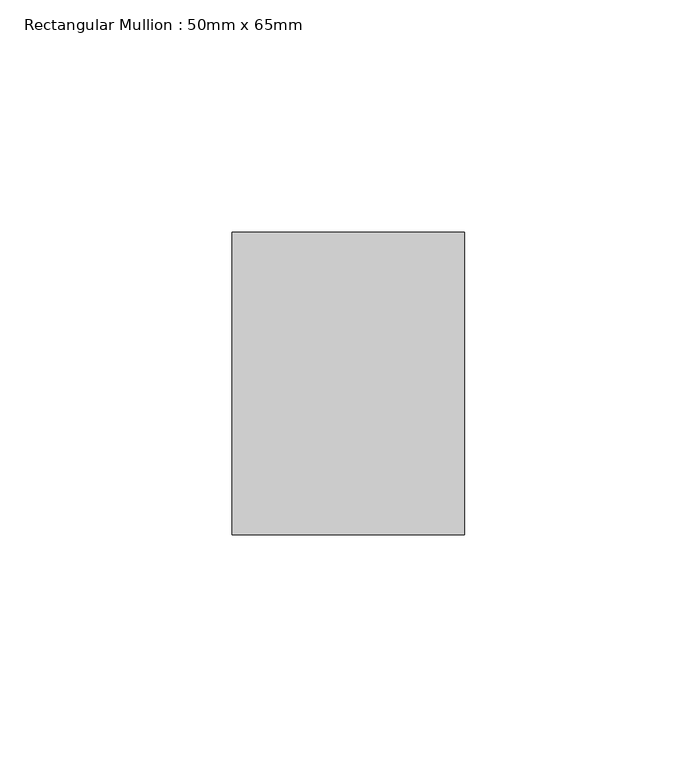
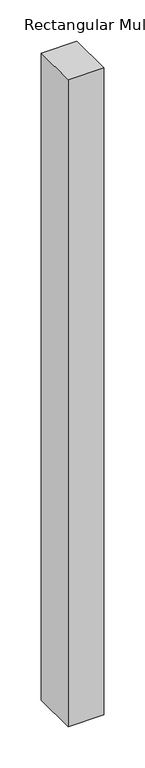
"""IFC4 building model written with IfcOpenShell, lengths in millimetres: member geometry, Rectangular Mullion : 50mm x 65mm."""

from ifc_helpers import new_model, si_unit, frame, origin, place, context, project, spatial, polyline, outline, extrude, source, transform, mapped, element, save


def rectangular_mullion_50mm_x_65mm_94e78044(model_context):
    return source(origin(), model_context, "Body", "SweptSolid", [
        extrude(outline(polyline([(25.0, 32.5), (25.0, -32.5), (-25.0, -32.5), (-25.0, 32.5), (25.0, 32.5)])), frame((0.0, 0.0, -957.7639785), z_axis=(0.0, 0.0, 1.0), x_axis=(1.0, 0.0, 0.0)), (0.0, 0.0, 1.0), 957.7639785),
    ])


if __name__ == "__main__":
    model = new_model("IFC4")
    model_context = context("Model", 3, world=origin())
    ifc_project = project(units=[si_unit("LENGTHUNIT", "METRE", prefix="MILLI")], contexts=[model_context])
    site = spatial("IfcSite", under=ifc_project)
    building = spatial("IfcBuilding", under=site)
    placement = place(None, origin())
    rectangular_mullion_50mm_x_65mm_shape = rectangular_mullion_50mm_x_65mm_94e78044(model_context)
    element("IfcMember", 1, ObjectType="Rectangular Mullion : 50mm x 65mm", at=placement, inside=building, context=model_context, shape_type="MappedRepresentation", body=[
        mapped(rectangular_mullion_50mm_x_65mm_shape, transform((0.0, 0.0, 0.0), x_axis=(1.0, 0.0, 0.0), y_axis=(0.0, 1.0, 0.0), z_axis=(0.0, 0.0, 1.0))),
    ])
    save(model, "model.ifc")
